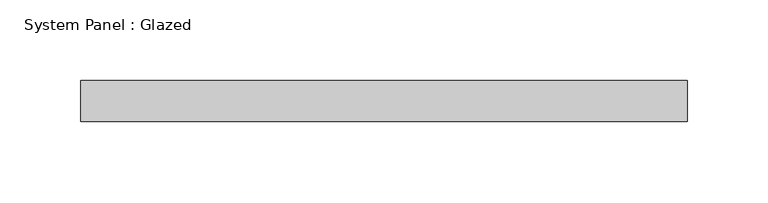
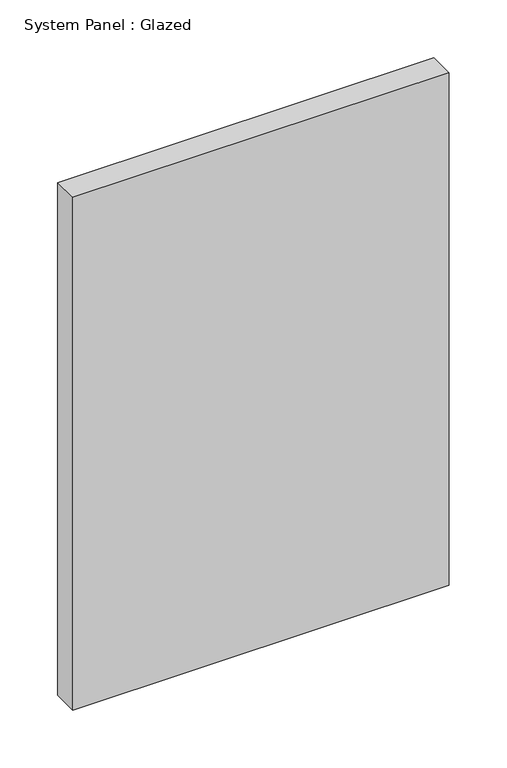
"""IFC4 building model written with IfcOpenShell, lengths in millimetres: plate geometry, System Panel : Glazed."""

from ifc_helpers import new_model, si_unit, origin, origin_with_axes, place, context, project, spatial, polyline, outline, extrude, source, transform, mapped, element, save


def system_panel_glazed_731b8754(model_context):
    return source(origin(), model_context, "Body", "SweptSolid", [
        extrude(outline(polyline([(187.325, -12.7), (-187.325, -12.7), (-187.325, 12.7), (187.325, 12.7), (187.325, -12.7)])), origin_with_axes(), (0.0, 0.0, 1.0), 539.75),
    ])


if __name__ == "__main__":
    model = new_model("IFC4")
    model_context = context("Model", 3, world=origin())
    ifc_project = project(units=[si_unit("LENGTHUNIT", "METRE", prefix="MILLI")], contexts=[model_context])
    site = spatial("IfcSite", under=ifc_project)
    building = spatial("IfcBuilding", under=site)
    placement = place(None, origin())
    system_panel_glazed_shape = system_panel_glazed_731b8754(model_context)
    element("IfcPlate", 1, ObjectType="System Panel : Glazed", at=placement, inside=building, context=model_context, shape_type="MappedRepresentation", body=[
        mapped(system_panel_glazed_shape, transform((0.0, 0.0, 0.0), x_axis=(1.0, 0.0, 0.0), y_axis=(0.0, 1.0, 0.0), z_axis=(0.0, 0.0, 1.0))),
    ])
    save(model, "model.ifc")
